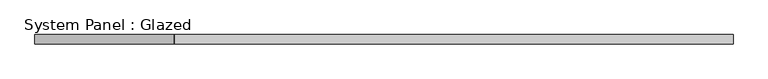
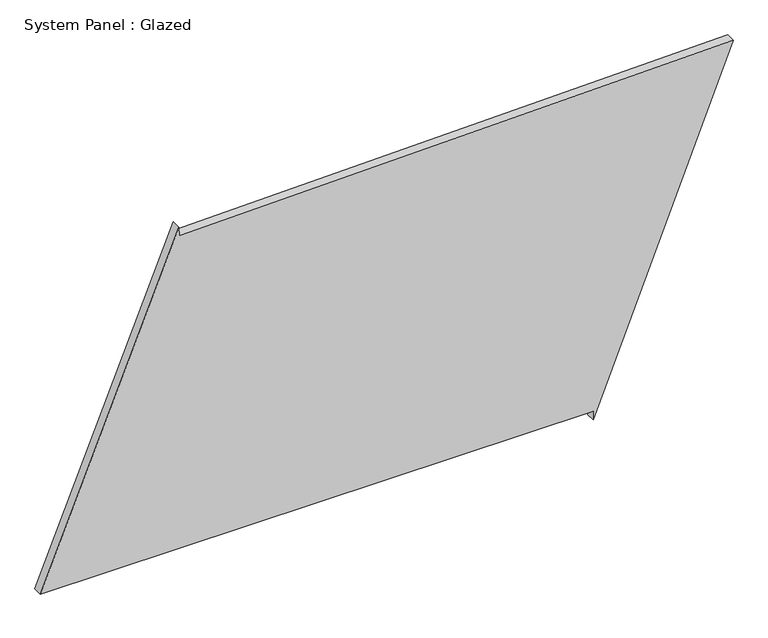
"""IFC4 building model written with IfcOpenShell, lengths in millimetres: plate geometry, System Panel : Glazed."""

from ifc_helpers import new_model, si_unit, frame, origin, place, context, project, spatial, polyline, outline, extrude, source, transform, mapped, element, save


def system_panel_glazed_bfebacf5(model_context):
    return source(origin(), model_context, "Body", "SweptSolid", [
        extrude(outline(polyline([(25.0, 553.5715117), (0.0, 553.5715117), (945.0622373, 929.092651), (910.7958183, -557.0058595), (935.7891751, -557.5821556), (25.0, -929.092651), (25.0, 553.5715117)])), frame((0.0, -49.5, 0.0), z_axis=(0.0, 1.0, 0.0), x_axis=(0.0, 0.0, 1.0)), (0.0, 0.0, 1.0), 25.0),
    ])


if __name__ == "__main__":
    model = new_model("IFC4")
    model_context = context("Model", 3, world=origin())
    ifc_project = project(units=[si_unit("LENGTHUNIT", "METRE", prefix="MILLI")], contexts=[model_context])
    site = spatial("IfcSite", under=ifc_project)
    building = spatial("IfcBuilding", under=site)
    placement = place(None, origin())
    system_panel_glazed_shape = system_panel_glazed_bfebacf5(model_context)
    element("IfcPlate", 1, ObjectType="System Panel : Glazed", at=placement, inside=building, context=model_context, shape_type="MappedRepresentation", body=[
        mapped(system_panel_glazed_shape, transform((0.0, 0.0, 0.0), x_axis=(1.0, 0.0, 0.0), y_axis=(0.0, 1.0, 0.0), z_axis=(0.0, 0.0, 1.0))),
    ])
    save(model, "model.ifc")
